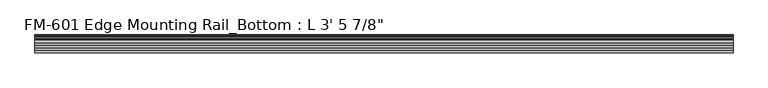
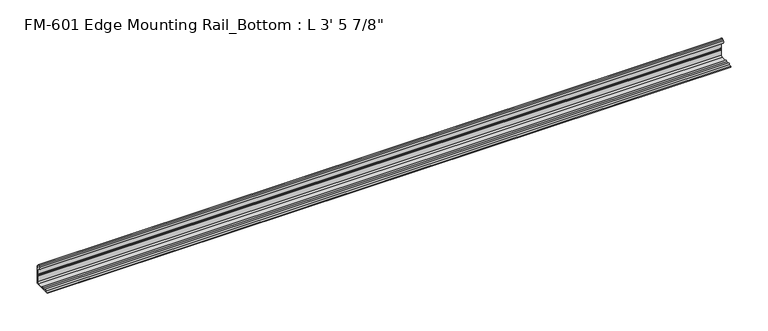
"""IFC4 building model written with IfcOpenShell, lengths in millimetres: proxy geometry."""

from ifc_helpers import new_model, si_unit, point, frame, frame_2d, origin, place, context, project, spatial, polyline, circle_curve, trimmed, segment, composite_curve, outline, extrude, source, transform, mapped, element, save


def proxy_1ee72870(model_context):
    return source(origin(), model_context, "Body", "SweptSolid", [
        extrude(outline(composite_curve([segment(polyline([(13.6400687, 32.1158903), (15.4750158, 32.6885982)]), True, "CONTINUOUS"), segment(trimmed(circle_curve(frame_2d((15.6853088, 32.2686835)), 0.4696291), [point((15.4750158, 32.6885982))], [point((16.1549378, 32.2686835))], False, "CARTESIAN"), True, "CONTINUOUS"), segment(polyline([(16.1549378, 32.2686835), (16.1549378, 30.7270734)]), True, "CONTINUOUS"), segment(trimmed(circle_curve(frame_2d((17.7424378, 30.7270734)), 1.5875), [point((16.1549378, 30.7270734))], [point((17.7424378, 29.1395734))], True, "CARTESIAN"), True, "CONTINUOUS"), segment(polyline([(17.7424378, 29.1395734), (19.05, 29.1395734), (19.05, 0.0), (-8.266326, 0.0), (-8.266326, 1.5874273), (-4.3959179, 1.5874273)]), True, "CONTINUOUS"), segment(trimmed(circle_curve(frame_2d((-2.8211179, 1.5874273)), 1.5748), [point((-4.3959179, 1.5874273))], [point((-1.2463179, 1.5874273))], False, "CARTESIAN"), True, "CONTINUOUS"), segment(polyline([(-1.2463179, 1.5874273), (3.2106952, 1.5874273)]), True, "CONTINUOUS"), segment(trimmed(circle_curve(frame_2d((4.7981954, 1.5874273)), 1.5875002), [point((3.2106952, 1.5874273))], [point((6.3856306, 1.6017951))], False, "CARTESIAN"), True, "CONTINUOUS"), segment(polyline([(6.3856306, 1.6017951), (15.5573314, 1.6102595)]), True, "CONTINUOUS"), segment(trimmed(circle_curve(frame_2d((15.5575, 3.5152595)), 1.905), [point((15.5573314, 1.6102595))], [point((17.4625, 3.5152595))], True, "CARTESIAN"), True, "CONTINUOUS"), segment(polyline([(17.4625, 3.5152595), (17.4625, 12.4909614), (17.9716639, 13.408381), (17.9716639, 14.7485418), (17.4625, 15.6659614), (17.4625, 26.8535734)]), True, "CONTINUOUS"), segment(trimmed(circle_curve(frame_2d((16.9545, 26.8535734)), 0.508), [point((17.4625, 26.8535734))], [point((16.9376166, 27.3612928))], True, "CARTESIAN"), True, "CONTINUOUS"), segment(trimmed(circle_curve(frame_2d((16.9169378, 26.5995734)), 0.762), [point((16.9376166, 27.3612928))], [point((16.1779173, 26.4138515))], True, "CARTESIAN"), True, "CONTINUOUS"), segment(trimmed(circle_curve(frame_2d((15.6245238, 26.2747792)), 0.5706009), [point((16.1779173, 26.4138515))], [point((15.4364113, 25.7360779))], False, "CARTESIAN"), True, "CONTINUOUS"), segment(polyline([(15.4364113, 25.7360779), (13.6400687, 26.2967369)]), True, "CONTINUOUS"), segment(trimmed(circle_curve(frame_2d((14.5481808, 29.2063136)), 3.048), [point((13.6400687, 26.2967369))], [point((11.9462301, 30.7938136))], False, "CARTESIAN"), True, "CONTINUOUS"), segment(trimmed(circle_curve(frame_2d((14.5481808, 29.2063136)), 3.048), [point((11.9462301, 30.7938136))], [point((13.6400687, 32.1158903))], False, "CARTESIAN"), True, "CONTINUOUS")], self_intersect=False)), frame((-758.825, 0.0, 0.0), z_axis=(1.0, 0.0, 0.0), x_axis=(0.0, 1.0, 0.0)), (0.0, 0.0, 1.0), 1063.625),
    ])


if __name__ == "__main__":
    model = new_model("IFC4")
    model_context = context("Model", 3, world=origin())
    ifc_project = project(units=[si_unit("LENGTHUNIT", "METRE", prefix="MILLI")], contexts=[model_context])
    site = spatial("IfcSite", under=ifc_project)
    building = spatial("IfcBuilding", under=site)
    placement = place(None, origin())
    proxy_shape = proxy_1ee72870(model_context)
    element("IfcBuildingElementProxy", 1, Name="FM-601 Edge Mounting Rail_Bottom : L 3' 5 7/8\"", ObjectType="FM-601 Edge Mounting Rail_Bottom : L 3' 5 7/8\"", at=placement, inside=building, context=model_context, shape_type="MappedRepresentation", body=[
        mapped(proxy_shape, transform((0.0, 0.0, 0.0), x_axis=(1.0, 0.0, 0.0), y_axis=(0.0, 1.0, 0.0), z_axis=(0.0, 0.0, 1.0))),
    ])
    save(model, "model.ifc")
